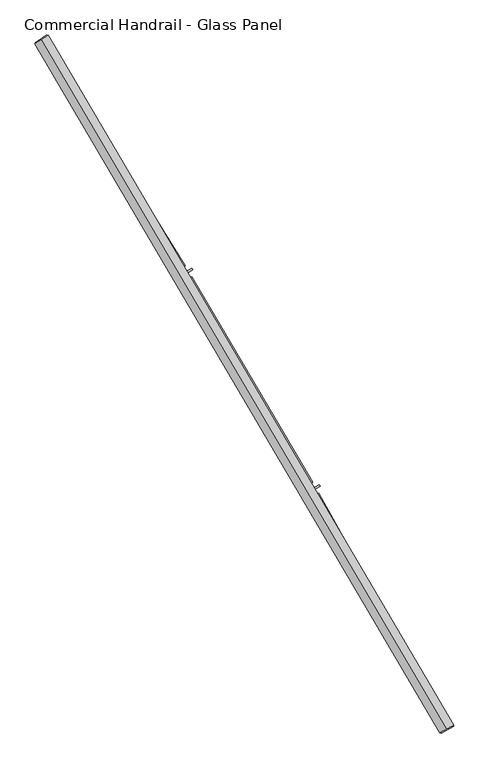
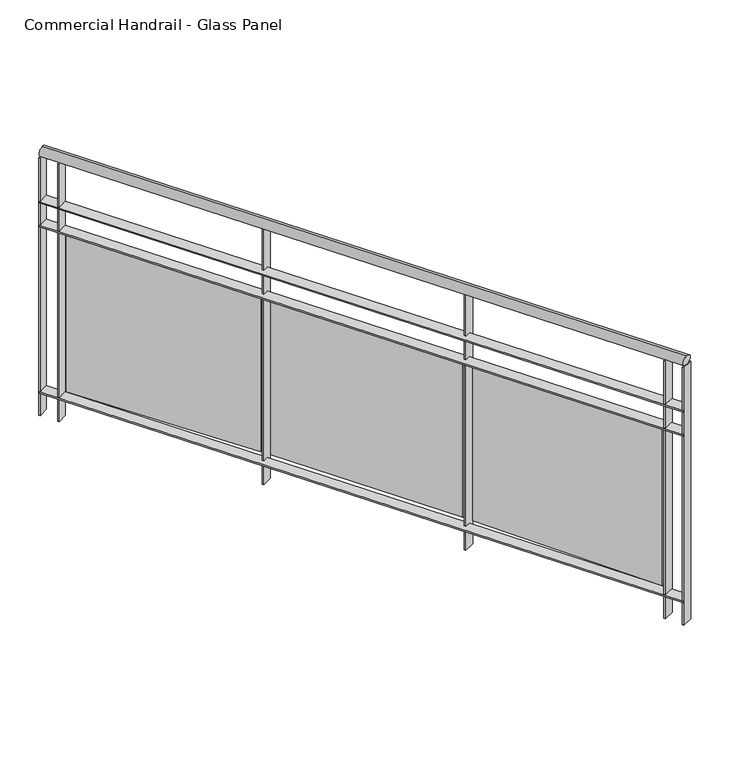
"""IFC4 building model written with IfcOpenShell, lengths in millimetres: railing geometry, Commercial Handrail - Glass Panel."""

from ifc_helpers import new_model, si_unit, point, frame, origin, place, context, project, spatial, polyline, circle_curve, ellipse_curve, trimmed, outline, extrude, source, transform, mapped, element, save
from ifc_brep_helpers import plane_surface, cylinder_surface, revolved_surface, advanced_brep


def commercial_handrail_glass_panel_5e31a3fc(model_context):
    return source(origin(), model_context, "Body", "SolidModel", [
        advanced_brep(
        [(177076.0575657, -31977.9006077, 29882.5), (175783.9289157, -29780.3413827, 29882.5), (175783.9289157, -29780.3413827, 29917.5), (177076.0575657, -31977.9006077, 29917.5)],
        [
            (0, 1, circle_curve(frame((146629.3968491, -48401.3811221, 29882.5), z_axis=(0.0, 0.0, 1.0), x_axis=(0.8427679503753938, 0.5382770493157384, 0.0)), 34593.7835601)),
            (1, 2, ellipse_curve(frame((175783.9289157, -29780.3413827, 29900.0), z_axis=(0.5382770493157341, -0.8427679503753968, 0.0), x_axis=(-0.8427679503753965, -0.538277049315734, 0.0)), 25.0, 17.5)),
            (2, 3, circle_curve(frame((146629.3968491, -48401.3811221, 29917.5), z_axis=(0.0, 0.0, -1.0), x_axis=(0.8427679503753938, 0.5382770493157384, 0.0)), 34593.7835601)),
            (3, 0, ellipse_curve(frame((177076.0575657, -31977.9006077, 29900.0), z_axis=(-0.4747523636984615, 0.8801194198304706, 0.0), x_axis=(-0.8801194198304704, -0.4747523636984614, 0.0)), 25.0, 17.5)),
            (2, 1, ellipse_curve(frame((175783.9289157, -29780.3413827, 29900.0), z_axis=(0.5382770493157341, -0.8427679503753968, 0.0), x_axis=(-0.8427679503753965, -0.538277049315734, 0.0)), 25.0, 17.5)),
            (0, 3, ellipse_curve(frame((177076.0575657, -31977.9006077, 29900.0), z_axis=(-0.4747523636984615, 0.8801194198304706, 0.0), x_axis=(-0.8801194198304704, -0.4747523636984614, 0.0)), 25.0, 17.5)),
        ],
        [
            revolved_surface(trimmed(ellipse_curve(frame((175783.9289157, -29780.3413827, 29900.0), z_axis=(-0.5382770493157384, 0.8427679503753938, 0.0), x_axis=(0.0, 0.0, -1.0)), 17.5, 25.0), [point((175783.9289157, -29780.3413827, 29917.5))], [point((175783.9289157, -29780.3413827, 29882.5))], True, "CARTESIAN"), (146629.3968491, -48401.3811221, 29900.0), (0.0, 0.0, -1.0)),
            revolved_surface(trimmed(ellipse_curve(frame((175783.9289157, -29780.3413827, 29900.0), z_axis=(-0.5382770493157384, 0.8427679503753938, 0.0), x_axis=(0.0, 0.0, -1.0)), 17.5, 25.0), [point((175783.9289157, -29780.3413827, 29882.5))], [point((175783.9289157, -29780.3413827, 29917.5))], True, "CARTESIAN"), (146629.3968491, -48401.3811221, 29900.0), (0.0, 0.0, -1.0)),
            plane_surface(frame((175783.9289157, -29780.3413827, 29900.0), z_axis=(-0.5382770493157384, 0.8427679503753938, 0.0), x_axis=(0.8427679503753938, 0.5382770493157384, 0.0))),
            plane_surface(frame((177076.0575657, -31977.9006077, 29900.0), z_axis=(0.4747523636984607, -0.8801194198304708, 0.0), x_axis=(0.8801194198304708, 0.4747523636984607, 0.0))),
        ],
        [
            (0, [[1, 2, 3, 4]]),
            (1, [[-3, 5, -1, 6]]),
            (2, [[-2, -5]]),
            (3, [[-6, -4]]),
        ],
    ),
        advanced_brep(
        [(177095.8602527, -31967.2186795, 29700.0), (175802.8911946, -29768.2301491, 29700.0), (175764.9666369, -29792.4526163, 29700.0), (177056.2548788, -31988.5825359, 29700.0), (177095.8602527, -31967.2186795, 29694.0), (175802.8911946, -29768.2301491, 29694.0), (177056.2548788, -31988.5825359, 29694.0), (175764.9666369, -29792.4526163, 29694.0)],
        [
            (0, 1, circle_curve(frame((146629.3968491, -48401.3811221, 29700.0), z_axis=(0.0, 0.0, 1.0), x_axis=(0.8427679503753938, 0.5382770493157384, 0.0)), 34616.2835601)),
            (1, 2),
            (2, 3, circle_curve(frame((146629.3968491, -48401.3811221, 29700.0), z_axis=(0.0, 0.0, -1.0), x_axis=(0.8427679503753938, 0.5382770493157384, 0.0)), 34571.2835601)),
            (3, 0),
            (4, 5, circle_curve(frame((146629.3968491, -48401.3811221, 29694.0), z_axis=(0.0, 0.0, 1.0), x_axis=(0.8427679503753938, 0.5382770493157384, 0.0)), 34616.2835601)),
            (5, 1),
            (0, 4),
            (6, 7, circle_curve(frame((146629.3968491, -48401.3811221, 29694.0), z_axis=(0.0, 0.0, 1.0), x_axis=(0.8427679503753938, 0.5382770493157384, 0.0)), 34571.2835601)),
            (7, 5),
            (4, 6),
            (2, 7),
            (6, 3),
        ],
        [
            plane_surface(frame((146629.3968491, -48401.3811221, 29700.0), z_axis=(0.0, 0.0, 1.0), x_axis=(0.8427679503753938, 0.5382770493157384, 0.0))),
            cylinder_surface(frame((146629.3968491, -48401.3811221, 29700.0), z_axis=(0.0, 0.0, -1.0), x_axis=(0.8427679503753938, 0.5382770493157384, 0.0)), 34616.2835601),
            plane_surface(frame((146629.3968491, -48401.3811221, 29694.0), z_axis=(0.0, 0.0, -1.0), x_axis=(0.8427679503753938, 0.5382770493157384, 0.0))),
            revolved_surface(polyline([(175764.96663689203, -29792.45261631168, 29694.0), (175764.96663689203, -29792.45261631168, 29700.0)]), (146629.3968491, -48401.3811221, 29700.0), (0.0, 0.0, -1.0)),
            plane_surface(frame((175783.9289157, -29780.3413827, 29700.0), z_axis=(-0.5382770493157384, 0.8427679503753938, 0.0), x_axis=(0.8427679503753938, 0.5382770493157384, 0.0))),
            plane_surface(frame((177076.0575657, -31977.9006077, 29700.0), z_axis=(0.4747523636984607, -0.8801194198304708, 0.0), x_axis=(0.8801194198304708, 0.4747523636984607, 0.0))),
        ],
        [
            (0, [[1, 2, 3, 4]]),
            (1, [[5, 6, -1, 7]]),
            (2, [[8, 9, -5, 10]]),
            (3, [[-3, 11, -8, 12]]),
            (4, [[-2, -6, -9, -11]]),
            (5, [[-12, -10, -7, -4]]),
        ],
    ),
        advanced_brep(
        [(177095.8602527, -31967.2186795, 29600.0), (175802.8911946, -29768.2301491, 29600.0), (175764.9666369, -29792.4526163, 29600.0), (177056.2548788, -31988.5825359, 29600.0), (177095.8602527, -31967.2186795, 29594.0), (175802.8911946, -29768.2301491, 29594.0), (177056.2548788, -31988.5825359, 29594.0), (175764.9666369, -29792.4526163, 29594.0)],
        [
            (0, 1, circle_curve(frame((146629.3968491, -48401.3811221, 29600.0), z_axis=(0.0, 0.0, 1.0), x_axis=(0.8427679503753938, 0.5382770493157384, 0.0)), 34616.2835601)),
            (1, 2),
            (2, 3, circle_curve(frame((146629.3968491, -48401.3811221, 29600.0), z_axis=(0.0, 0.0, -1.0), x_axis=(0.8427679503753938, 0.5382770493157384, 0.0)), 34571.2835601)),
            (3, 0),
            (4, 5, circle_curve(frame((146629.3968491, -48401.3811221, 29594.0), z_axis=(0.0, 0.0, 1.0), x_axis=(0.8427679503753938, 0.5382770493157384, 0.0)), 34616.2835601)),
            (5, 1),
            (0, 4),
            (6, 7, circle_curve(frame((146629.3968491, -48401.3811221, 29594.0), z_axis=(0.0, 0.0, 1.0), x_axis=(0.8427679503753938, 0.5382770493157384, 0.0)), 34571.2835601)),
            (7, 5),
            (4, 6),
            (2, 7),
            (6, 3),
        ],
        [
            plane_surface(frame((146629.3968491, -48401.3811221, 29600.0), z_axis=(0.0, 0.0, 1.0), x_axis=(0.8427679503753938, 0.5382770493157384, 0.0))),
            cylinder_surface(frame((146629.3968491, -48401.3811221, 29600.0), z_axis=(0.0, 0.0, -1.0), x_axis=(0.8427679503753938, 0.5382770493157384, 0.0)), 34616.2835601),
            plane_surface(frame((146629.3968491, -48401.3811221, 29594.0), z_axis=(0.0, 0.0, -1.0), x_axis=(0.8427679503753938, 0.5382770493157384, 0.0))),
            revolved_surface(polyline([(175764.96663689203, -29792.45261631168, 29594.0), (175764.96663689203, -29792.45261631168, 29600.0)]), (146629.3968491, -48401.3811221, 29600.0), (0.0, 0.0, -1.0)),
            plane_surface(frame((175783.9289157, -29780.3413827, 29600.0), z_axis=(-0.5382770493157384, 0.8427679503753938, 0.0), x_axis=(0.8427679503753938, 0.5382770493157384, 0.0))),
            plane_surface(frame((177076.0575657, -31977.9006077, 29600.0), z_axis=(0.4747523636984607, -0.8801194198304708, 0.0), x_axis=(0.8801194198304708, 0.4747523636984607, 0.0))),
        ],
        [
            (0, [[1, 2, 3, 4]]),
            (1, [[5, 6, -1, 7]]),
            (2, [[8, 9, -5, 10]]),
            (3, [[-3, 11, -8, 12]]),
            (4, [[-2, -6, -9, -11]]),
            (5, [[-12, -10, -7, -4]]),
        ],
    ),
        advanced_brep(
        [(177095.8602527, -31967.2186795, 28900.0), (175802.8911946, -29768.2301491, 28900.0), (175764.9666369, -29792.4526163, 28900.0), (177056.2548788, -31988.5825359, 28900.0), (177095.8602527, -31967.2186795, 28894.0), (175802.8911946, -29768.2301491, 28894.0), (177056.2548788, -31988.5825359, 28894.0), (175764.9666369, -29792.4526163, 28894.0)],
        [
            (0, 1, circle_curve(frame((146629.3968491, -48401.3811221, 28900.0), z_axis=(0.0, 0.0, 1.0), x_axis=(0.8427679503753938, 0.5382770493157384, 0.0)), 34616.2835601)),
            (1, 2),
            (2, 3, circle_curve(frame((146629.3968491, -48401.3811221, 28900.0), z_axis=(0.0, 0.0, -1.0), x_axis=(0.8427679503753938, 0.5382770493157384, 0.0)), 34571.2835601)),
            (3, 0),
            (4, 5, circle_curve(frame((146629.3968491, -48401.3811221, 28894.0), z_axis=(0.0, 0.0, 1.0), x_axis=(0.8427679503753938, 0.5382770493157384, 0.0)), 34616.2835601)),
            (5, 1),
            (0, 4),
            (6, 7, circle_curve(frame((146629.3968491, -48401.3811221, 28894.0), z_axis=(0.0, 0.0, 1.0), x_axis=(0.8427679503753938, 0.5382770493157384, 0.0)), 34571.2835601)),
            (7, 5),
            (4, 6),
            (2, 7),
            (6, 3),
        ],
        [
            plane_surface(frame((146629.3968491, -48401.3811221, 28900.0), z_axis=(0.0, 0.0, 1.0), x_axis=(0.8427679503753938, 0.5382770493157384, 0.0))),
            cylinder_surface(frame((146629.3968491, -48401.3811221, 28900.0), z_axis=(0.0, 0.0, -1.0), x_axis=(0.8427679503753938, 0.5382770493157384, 0.0)), 34616.2835601),
            plane_surface(frame((146629.3968491, -48401.3811221, 28894.0), z_axis=(0.0, 0.0, -1.0), x_axis=(0.8427679503753938, 0.5382770493157384, 0.0))),
            revolved_surface(polyline([(175764.96663689203, -29792.45261631168, 28894.0), (175764.96663689203, -29792.45261631168, 28900.0)]), (146629.3968491, -48401.3811221, 28900.0), (0.0, 0.0, -1.0)),
            plane_surface(frame((175783.9289157, -29780.3413827, 28900.0), z_axis=(-0.5382770493157384, 0.8427679503753938, 0.0), x_axis=(0.8427679503753938, 0.5382770493157384, 0.0))),
            plane_surface(frame((177076.0575657, -31977.9006077, 28900.0), z_axis=(0.4747523636984607, -0.8801194198304708, 0.0), x_axis=(0.8801194198304708, 0.4747523636984607, 0.0))),
        ],
        [
            (0, [[1, 2, 3, 4]]),
            (1, [[5, 6, -1, 7]]),
            (2, [[8, 9, -5, 10]]),
            (3, [[-3, 11, -8, 12]]),
            (4, [[-2, -6, -9, -11]]),
            (5, [[-12, -10, -7, -4]]),
        ],
    ),
        extrude(outline(polyline([(177019.2025619, -31920.0776321), (177058.7615677, -31898.6280386), (177061.6215135, -31903.9025727), (177022.0625077, -31925.3521662), (177019.2025619, -31920.0776321)])), frame((0.0, 0.0, 28800.0), z_axis=(0.0, 0.0, 1.0), x_axis=(1.0, 0.0, 0.0)), (0.0, 0.0, 1.0), 1082.1192282),
        extrude(outline(polyline([(176667.9811331, -31226.6066951), (177037.9417222, -31890.4810526), (177027.4594955, -31896.3225355), (176657.4989064, -31232.4481781), (176667.9811331, -31226.6066951)])), frame((0.0, 0.0, 28920.0), z_axis=(0.0, 0.0, 1.0), x_axis=(1.0, 0.0, 0.0)), (0.0, 0.0, 1.0), 660.0),
        extrude(outline(polyline([(176629.9717234, -31221.766365), (176669.0241625, -31199.4077648), (176672.0053092, -31204.6147567), (176632.9528701, -31226.9733569), (176629.9717234, -31221.766365)])), frame((0.0, 0.0, 28800.0), z_axis=(0.0, 0.0, 1.0), x_axis=(1.0, 0.0, 0.0)), (0.0, 0.0, 1.0), 1082.1192282),
        extrude(outline(polyline([(176262.8087433, -30536.6023126), (176648.0214972, -31191.7443844), (176637.6771487, -31197.8266911), (176252.4643948, -30542.6846193), (176262.8087433, -30536.6023126)])), frame((0.0, 0.0, 28920.0), z_axis=(0.0, 0.0, 1.0), x_axis=(1.0, 0.0, 0.0)), (0.0, 0.0, 1.0), 660.0),
        extrude(outline(polyline([(176224.6975714, -30532.6421866), (176263.2225599, -30509.3865364), (176266.3233132, -30514.5232015), (176227.7983248, -30537.7788517), (176224.6975714, -30532.6421866)])), frame((0.0, 0.0, 28800.0), z_axis=(0.0, 0.0, 1.0), x_axis=(1.0, 0.0, 0.0)), (0.0, 0.0, 1.0), 1082.1192282),
        extrude(outline(polyline([(175841.7893867, -29856.1514219), (176242.0483063, -30502.2108598), (176231.8473678, -30508.5307375), (175831.5884482, -29862.4712996), (175841.7893867, -29856.1514219)])), frame((0.0, 0.0, 28920.0), z_axis=(0.0, 0.0, 1.0), x_axis=(1.0, 0.0, 0.0)), (0.0, 0.0, 1.0), 660.0),
        extrude(outline(polyline([(175803.5968332, -29853.0736178), (175841.5737692, -29828.9333539), (175844.792471, -29833.9969454), (175806.8155351, -29858.1372092), (175803.5968332, -29853.0736178)])), frame((0.0, 0.0, 28800.0), z_axis=(0.0, 0.0, 1.0), x_axis=(1.0, 0.0, 0.0)), (0.0, 0.0, 1.0), 1082.1192282),
        extrude(outline(polyline([(177054.8306217, -31985.9421776), (177094.4359956, -31964.5783212), (177097.2845098, -31969.8590378), (177057.6791359, -31991.2228941), (177054.8306217, -31985.9421776)])), frame((0.0, 0.0, 28800.0), z_axis=(0.0, 0.0, 1.0), x_axis=(1.0, 0.0, 0.0)), (0.0, 0.0, 1.0), 1082.1192282),
        extrude(outline(polyline([(175763.3518057, -29789.9243125), (175801.2763635, -29765.7018453), (175804.5060258, -29770.758453), (175766.581468, -29794.9809202), (175763.3518057, -29789.9243125)])), frame((0.0, 0.0, 28800.0), z_axis=(0.0, 0.0, 1.0), x_axis=(1.0, 0.0, 0.0)), (0.0, 0.0, 1.0), 1082.1192282),
    ])


if __name__ == "__main__":
    model = new_model("IFC4")
    model_context = context("Model", 3, world=origin())
    ifc_project = project(units=[si_unit("LENGTHUNIT", "METRE", prefix="MILLI")], contexts=[model_context])
    site = spatial("IfcSite", under=ifc_project)
    building = spatial("IfcBuilding", under=site)
    placement = place(None, origin())
    commercial_handrail_glass_panel_shape = commercial_handrail_glass_panel_5e31a3fc(model_context)
    element("IfcRailing", 1, ObjectType="Commercial Handrail - Glass Panel", at=placement, inside=building, context=model_context, shape_type="MappedRepresentation", body=[
        mapped(commercial_handrail_glass_panel_shape, transform((0.0, 0.0, 0.0), x_axis=(1.0, 0.0, 0.0), y_axis=(0.0, 1.0, 0.0), z_axis=(0.0, 0.0, 1.0))),
    ])
    save(model, "model.ifc")
